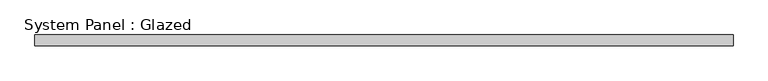
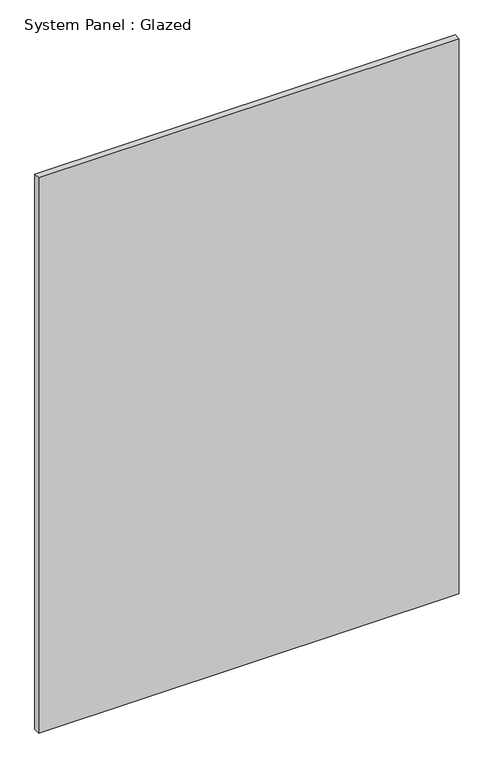
"""IFC4 building model written with IfcOpenShell, lengths in millimetres: plate geometry, System Panel : Glazed."""

from ifc_helpers import new_model, si_unit, origin, origin_with_axes, place, context, project, spatial, polyline, outline, extrude, source, transform, mapped, element, save


def system_panel_glazed_d4cad7f9(model_context):
    return source(origin(), model_context, "Body", "SweptSolid", [
        extrude(outline(polyline([(809.1455333, 24.5), (-809.1455333, 24.5), (-809.1455333, 49.5), (809.1455333, 49.5), (809.1455333, 24.5)])), origin_with_axes(), (0.0, 0.0, 1.0), 2257.4666667),
    ])


if __name__ == "__main__":
    model = new_model("IFC4")
    model_context = context("Model", 3, world=origin())
    ifc_project = project(units=[si_unit("LENGTHUNIT", "METRE", prefix="MILLI")], contexts=[model_context])
    site = spatial("IfcSite", under=ifc_project)
    building = spatial("IfcBuilding", under=site)
    placement = place(None, origin())
    system_panel_glazed_shape = system_panel_glazed_d4cad7f9(model_context)
    element("IfcPlate", 1, ObjectType="System Panel : Glazed", at=placement, inside=building, context=model_context, shape_type="MappedRepresentation", body=[
        mapped(system_panel_glazed_shape, transform((0.0, 0.0, 0.0), x_axis=(1.0, 0.0, 0.0), y_axis=(0.0, 1.0, 0.0), z_axis=(0.0, 0.0, 1.0))),
    ])
    save(model, "model.ifc")
